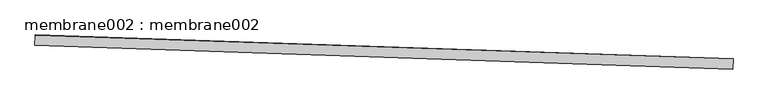
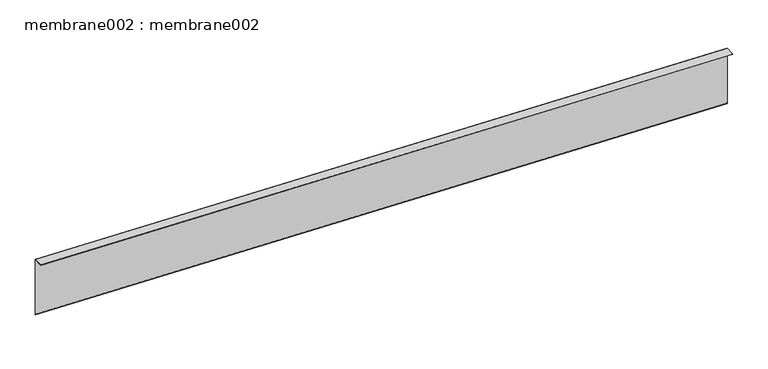
"""IFC4 building model written with IfcOpenShell, lengths in millimetres: proxy geometry, membrane002 : membrane002."""

from ifc_helpers import new_model, si_unit, frame, origin, place, context, project, spatial, polyline, outline, extrude, source, transform, mapped, element, save


def membrane002_membrane002_48d74454(model_context):
    return source(origin(), model_context, "Body", "SweptSolid", [
        extrude(outline(polyline([(6.324173, 0.0), (1200.9549399, 836.4894673), (1342.1314881, 634.868461), (1340.8310843, 633.9579084), (1200.5650886, 834.2785109), (6.8247098, -1.5875), (0.5005368, -1.5875), (-10.8911005, -9.5640103), (-11.8016531, -8.2636065), (0.0, 0.0), (6.324173, 0.0)])), frame((34365.5526325, -15149.7078308, 4250.8078662), z_axis=(-0.9994149479163446, 0.03420178184496072, 0.0), x_axis=(-0.0196173361310244, -0.5732408637807243, 0.8191520446260582)), (0.0, 0.0, 1.0), 17068.8),
    ])


if __name__ == "__main__":
    model = new_model("IFC4")
    model_context = context("Model", 3, world=origin())
    ifc_project = project(units=[si_unit("LENGTHUNIT", "METRE", prefix="MILLI")], contexts=[model_context])
    site = spatial("IfcSite", under=ifc_project)
    building = spatial("IfcBuilding", under=site)
    placement = place(None, origin())
    membrane002_membrane002_shape = membrane002_membrane002_48d74454(model_context)
    element("IfcBuildingElementProxy", 1, Name="membrane002 : membrane002", ObjectType="membrane002 : membrane002", at=placement, inside=building, context=model_context, shape_type="MappedRepresentation", body=[
        mapped(membrane002_membrane002_shape, transform((0.0, 0.0, 0.0), x_axis=(1.0, 0.0, 0.0), y_axis=(0.0, 1.0, 0.0), z_axis=(0.0, 0.0, 1.0))),
    ])
    save(model, "model.ifc")
